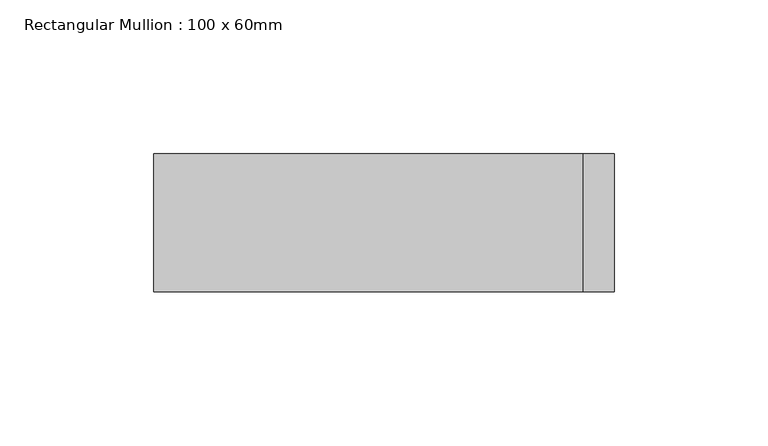
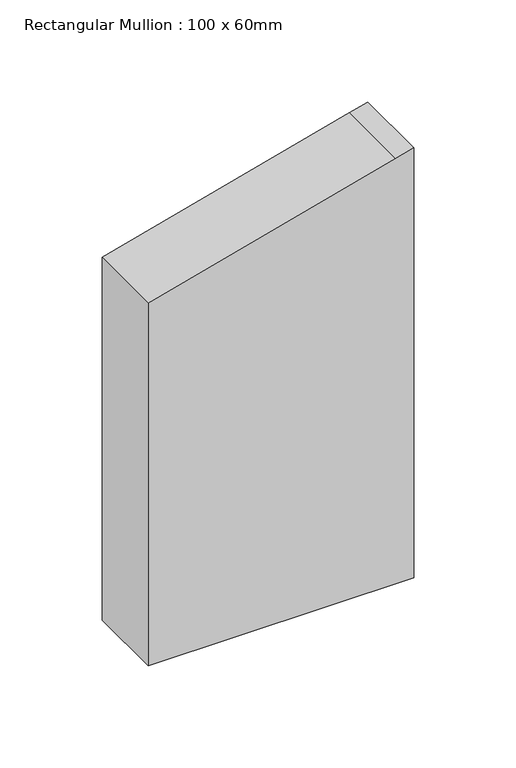
"""IFC4 building model written with IfcOpenShell, lengths in millimetres: member geometry, Rectangular Mullion : 100 x 60mm."""

from ifc_helpers import new_model, si_unit, frame, origin, place, context, project, spatial, polyline, outline, extrude, source, transform, mapped, element, save


def rectangular_mullion_100_x_60mm_5bec848a(model_context):
    return source(origin(), model_context, "Body", "SweptSolid", [
        extrude(outline(polyline([(-238.7228557, 75.0), (-241.4814566, 64.7047613), (-278.9152345, -75.0), (-495.5523608, -75.0), (-495.5523608, 75.0), (-238.7228557, 75.0)])), frame((0.0, -15.0, 0.0), z_axis=(0.0, 1.0, 0.0), x_axis=(0.0, 0.0, 1.0)), (0.0, 0.0, 1.0), 45.0),
    ])


if __name__ == "__main__":
    model = new_model("IFC4")
    model_context = context("Model", 3, world=origin())
    ifc_project = project(units=[si_unit("LENGTHUNIT", "METRE", prefix="MILLI")], contexts=[model_context])
    site = spatial("IfcSite", under=ifc_project)
    building = spatial("IfcBuilding", under=site)
    placement = place(None, origin())
    rectangular_mullion_100_x_60mm_shape = rectangular_mullion_100_x_60mm_5bec848a(model_context)
    element("IfcMember", 1, ObjectType="Rectangular Mullion : 100 x 60mm", at=placement, inside=building, context=model_context, shape_type="MappedRepresentation", body=[
        mapped(rectangular_mullion_100_x_60mm_shape, transform((0.0, 0.0, 0.0), x_axis=(1.0, 0.0, 0.0), y_axis=(0.0, 1.0, 0.0), z_axis=(0.0, 0.0, 1.0))),
    ])
    save(model, "model.ifc")
